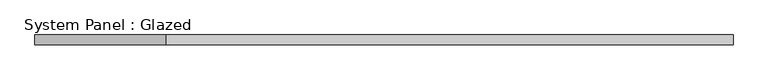
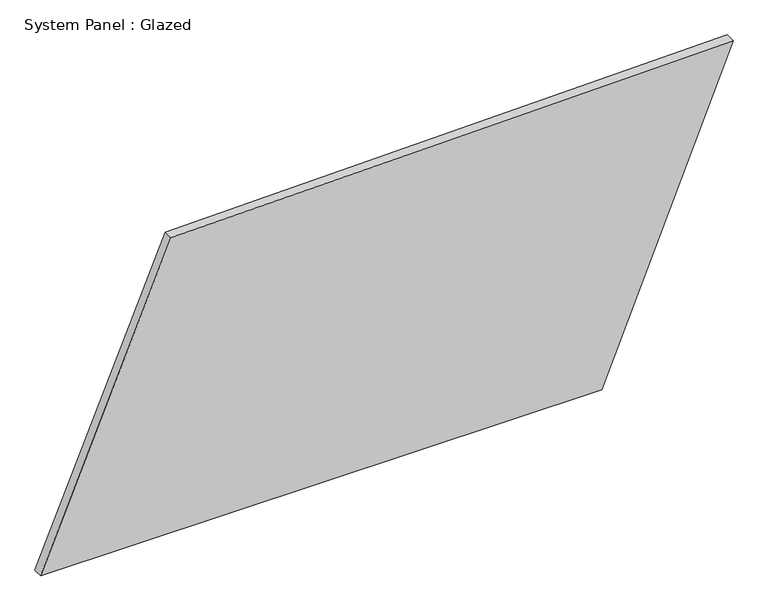
"""IFC4 building model written with IfcOpenShell, lengths in millimetres: plate geometry, System Panel : Glazed."""

import ifcopenshell
import ifcopenshell.guid

model = None  # the IFC model being written
_history = None  # IfcOwnerHistory: only IFC2X3 demands one
_inside = {}  # id of a spatial element -> (the spatial element, [elements in it])
_under = {}  # id of a project, library or spatial element -> (it, [spatial elements below it])
_declared = {}  # id of a project -> (the project, [libraries it declares])
_typed = {}  # id of a type object -> (the type object, [elements of that type])
_made_of = {}  # id of a material, layer set ... -> (it, [elements and type objects made of it])


def new_model(schema):
    """Start an empty IFC model of exactly this schema.

    Asked for "IFC4X3", IfcOpenShell would pick the latest addendum, in which some entities
    have other attributes; the version numbers below select the first issue.
    IFC2X3 requires an IfcOwnerHistory on every rooted entity: one is made here for all.
    """
    global model, _history
    if schema == "IFC4X3":
        model = ifcopenshell.file(schema_version=(4, 3, 0, 0))
    else:
        model = ifcopenshell.file(schema=schema)
    _inside.clear()
    _under.clear()
    _declared.clear()
    _typed.clear()
    _made_of.clear()
    _history = None
    if model.schema == "IFC2X3":
        org = make("IfcOrganization", Name="unknown")
        user = make(
            "IfcPersonAndOrganization",
            ThePerson=make("IfcPerson", FamilyName="unknown"),
            TheOrganization=org,
        )
        app = make(
            "IfcApplication",
            ApplicationDeveloper=org,
            Version="unknown",
            ApplicationFullName="unknown",
            ApplicationIdentifier="unknown",
        )
        _history = make(
            "IfcOwnerHistory",
            OwningUser=user,
            OwningApplication=app,
            ChangeAction="ADDED",
            CreationDate=0,
        )
    return model


def make(cls, **values):
    """One entity of the class cls with the attributes given. An attribute that is None is left unset."""
    return model.create_entity(
        cls, **{name: value for name, value in values.items() if value is not None}
    )


def rooted(cls, **values):
    """An entity with a GlobalId (a new one), such as an element, a storey or a relation."""
    return make(cls, GlobalId=ifcopenshell.guid.new(), OwnerHistory=_history, **values)


def si_unit(unit_type, name, prefix=None):
    """IfcSIUnit, for example si_unit("LENGTHUNIT", "METRE", prefix="MILLI")."""
    return make("IfcSIUnit", UnitType=unit_type, Prefix=prefix, Name=name)


def assignment(units):
    """IfcUnitAssignment: the units of a project."""
    return None if units is None else make("IfcUnitAssignment", Units=units)


def point(xyz):
    """IfcCartesianPoint."""
    return None if xyz is None else make("IfcCartesianPoint", Coordinates=xyz)


def direction(xyz):
    """IfcDirection."""
    return None if xyz is None else make("IfcDirection", DirectionRatios=xyz)


def frame(location, z_axis=None, x_axis=None):
    """IfcAxis2Placement3D, a coordinate frame: its origin and axes. An axis left out is left unset."""
    return make(
        "IfcAxis2Placement3D",
        Location=point(location),
        Axis=direction(z_axis),
        RefDirection=direction(x_axis),
    )


def origin():
    """The frame at (0, 0, 0) with its axes left unset."""
    return frame((0.0, 0.0, 0.0))


def place(relative_to, where):
    """IfcLocalPlacement: puts the frame where relative to a parent placement (None: the world)."""
    return make(
        "IfcLocalPlacement", PlacementRelTo=relative_to, RelativePlacement=where
    )


def context(
    kind, dimensions, precision=None, world=None, true_north=None, identifier=None
):
    """IfcGeometricRepresentationContext, for example the 3D "Model" context."""
    return make(
        "IfcGeometricRepresentationContext",
        ContextIdentifier=identifier,
        ContextType=kind,
        CoordinateSpaceDimension=dimensions,
        Precision=precision,
        WorldCoordinateSystem=world,
        TrueNorth=true_north,
    )


def project(units=None, contexts=None):
    """IfcProject with its units and contexts."""
    return rooted(
        "IfcProject",
        Name="project",
        RepresentationContexts=contexts,
        UnitsInContext=assignment(units),
    )


def spatial(cls, under=None, at=None, **own):
    """A site, building, storey or space (cls), placed at a placement, below another one or the project."""
    s = rooted(cls, ObjectPlacement=at, **own)
    if under is not None:
        _under.setdefault(under.id(), (under, []))[1].append(s)
    return s


def polyline(points):
    """IfcPolyline through the points."""
    return make("IfcPolyline", Points=[point(p) for p in points])


def outline(outer, holes=None, kind="AREA"):
    """IfcArbitraryClosedProfileDef: a profile drawn as a closed curve; with holes, ...WithVoids."""
    if holes is None:
        return make("IfcArbitraryClosedProfileDef", ProfileType=kind, OuterCurve=outer)
    return make(
        "IfcArbitraryProfileDefWithVoids",
        ProfileType=kind,
        OuterCurve=outer,
        InnerCurves=holes,
    )


def extrude(swept, where, along, depth):
    """IfcExtrudedAreaSolid: the profile swept, set in the frame where, extruded along a direction by depth."""
    return make(
        "IfcExtrudedAreaSolid",
        SweptArea=swept,
        Position=where,
        ExtrudedDirection=direction(along),
        Depth=depth,
    )


def shape(context_of_items, identifier, shape_type, items):
    """IfcShapeRepresentation: the items that make up one representation, for example the "Body"."""
    return make(
        "IfcShapeRepresentation",
        ContextOfItems=context_of_items,
        RepresentationIdentifier=identifier,
        RepresentationType=shape_type,
        Items=items,
    )


def source(mapping_origin, context_of_items, identifier, shape_type, items):
    """IfcRepresentationMap: a shape defined once, which mapped items show again and again."""
    return make(
        "IfcRepresentationMap",
        MappingOrigin=mapping_origin,
        MappedRepresentation=shape(context_of_items, identifier, shape_type, items),
    )


def transform(
    local_origin,
    x_axis=None,
    y_axis=None,
    z_axis=None,
    scale=None,
    scale2=None,
    scale3=None,
    uniform=True,
):
    """IfcCartesianTransformationOperator3D, or its non-uniform kind. x_axis, y_axis, z_axis: its Axis1, 2, 3."""
    if uniform:
        return make(
            "IfcCartesianTransformationOperator3D",
            Axis1=direction(x_axis),
            Axis2=direction(y_axis),
            LocalOrigin=point(local_origin),
            Scale=scale,
            Axis3=direction(z_axis),
        )
    return make(
        "IfcCartesianTransformationOperator3DnonUniform",
        Axis1=direction(x_axis),
        Axis2=direction(y_axis),
        LocalOrigin=point(local_origin),
        Scale=scale,
        Axis3=direction(z_axis),
        Scale2=scale2,
        Scale3=scale3,
    )


def mapped(mapping_source, mapping_target):
    """IfcMappedItem: shows the shape of a source again, moved by a transform."""
    return make(
        "IfcMappedItem", MappingSource=mapping_source, MappingTarget=mapping_target
    )


def made_of(thing, what):
    """Note that an element or type object is made of a material, layer set ...; save() writes the relation."""
    if what is not None:
        _made_of.setdefault(what.id(), (what, []))[1].append(thing)
    return thing


def element(
    cls,
    number,
    at=None,
    inside=None,
    cuts=None,
    type_object=None,
    material=None,
    context=None,
    identifier="Body",
    shape_type=None,
    held_by="IfcProductDefinitionShape",
    body=None,
    shapes=None,
    **own,
):
    """One element of the class cls, such as IfcWall. Its Tag is "e" and its number.

    at: its placement. inside: the storey or other place that contains it. cuts: it is an
    opening in that element (IfcRelVoidsElement). A single representation is given by context,
    identifier, shape_type and body (its items); several are given by shapes. held_by: the class
    of the entity that holds the representations. save() writes the other relations.
    """
    e = rooted(cls, Tag="e%d" % number, ObjectPlacement=at, **own)
    if body is not None:
        shapes = [shape(context, identifier, shape_type, body)]
    if shapes is not None:
        e.Representation = make(held_by, Representations=shapes)
    if inside is not None:
        _inside.setdefault(inside.id(), (inside, []))[1].append(e)
    if cuts is not None:
        rooted(
            "IfcRelVoidsElement", RelatingBuildingElement=cuts, RelatedOpeningElement=e
        )
    if type_object is not None:
        _typed.setdefault(type_object.id(), (type_object, []))[1].append(e)
    return made_of(e, material)


def aggregate(whole, parts):
    """IfcRelAggregates: a whole, such as a stair, and the parts it consists of."""
    return rooted("IfcRelAggregates", RelatingObject=whole, RelatedObjects=parts)


def save(model, path):
    """Write the relations noted so far, then the file.

    IfcRelAggregates (storeys below a building ...), IfcRelContainedInSpatialStructure (elements
    in a storey), IfcRelDefinesByType, IfcRelAssociatesMaterial and IfcRelDeclares: one each for
    every whole, place, type object, material and project.
    """
    for whole, parts in _under.values():
        aggregate(whole, parts)
    for where, things in _inside.values():
        rooted(
            "IfcRelContainedInSpatialStructure",
            RelatedElements=things,
            RelatingStructure=where,
        )
    for kind, things in _typed.values():
        rooted("IfcRelDefinesByType", RelatedObjects=things, RelatingType=kind)
    for what, things in _made_of.values():
        rooted("IfcRelAssociatesMaterial", RelatedObjects=things, RelatingMaterial=what)
    for by, libraries in _declared.values():
        rooted("IfcRelDeclares", RelatingContext=by, RelatedDefinitions=libraries)
    model.write(path)


def system_panel_glazed_f740607f(model_context):
    return source(origin(), model_context, "Body", "SweptSolid", [
        extrude(outline(polyline([(0.0, -885.9616741), (0.0, 549.8205639), (827.1120973, 885.9616741), (797.5302129, -552.3186242), (0.0, -885.9616741)])), frame((0.0, -49.5, 0.0), z_axis=(0.0, 1.0, 0.0), x_axis=(0.0, 0.0, 1.0)), (0.0, 0.0, 1.0), 25.0),
    ])


if __name__ == "__main__":
    model = new_model("IFC4")
    model_context = context("Model", 3, world=origin())
    ifc_project = project(units=[si_unit("LENGTHUNIT", "METRE", prefix="MILLI")], contexts=[model_context])
    site = spatial("IfcSite", under=ifc_project)
    building = spatial("IfcBuilding", under=site)
    placement = place(None, origin())
    system_panel_glazed_shape = system_panel_glazed_f740607f(model_context)
    element("IfcPlate", 1, ObjectType="System Panel : Glazed", at=placement, inside=building, context=model_context, shape_type="MappedRepresentation", body=[
        mapped(system_panel_glazed_shape, transform((0.0, 0.0, 0.0), x_axis=(1.0, 0.0, 0.0), y_axis=(0.0, 1.0, 0.0), z_axis=(0.0, 0.0, 1.0))),
    ])
    save(model, "model.ifc")
